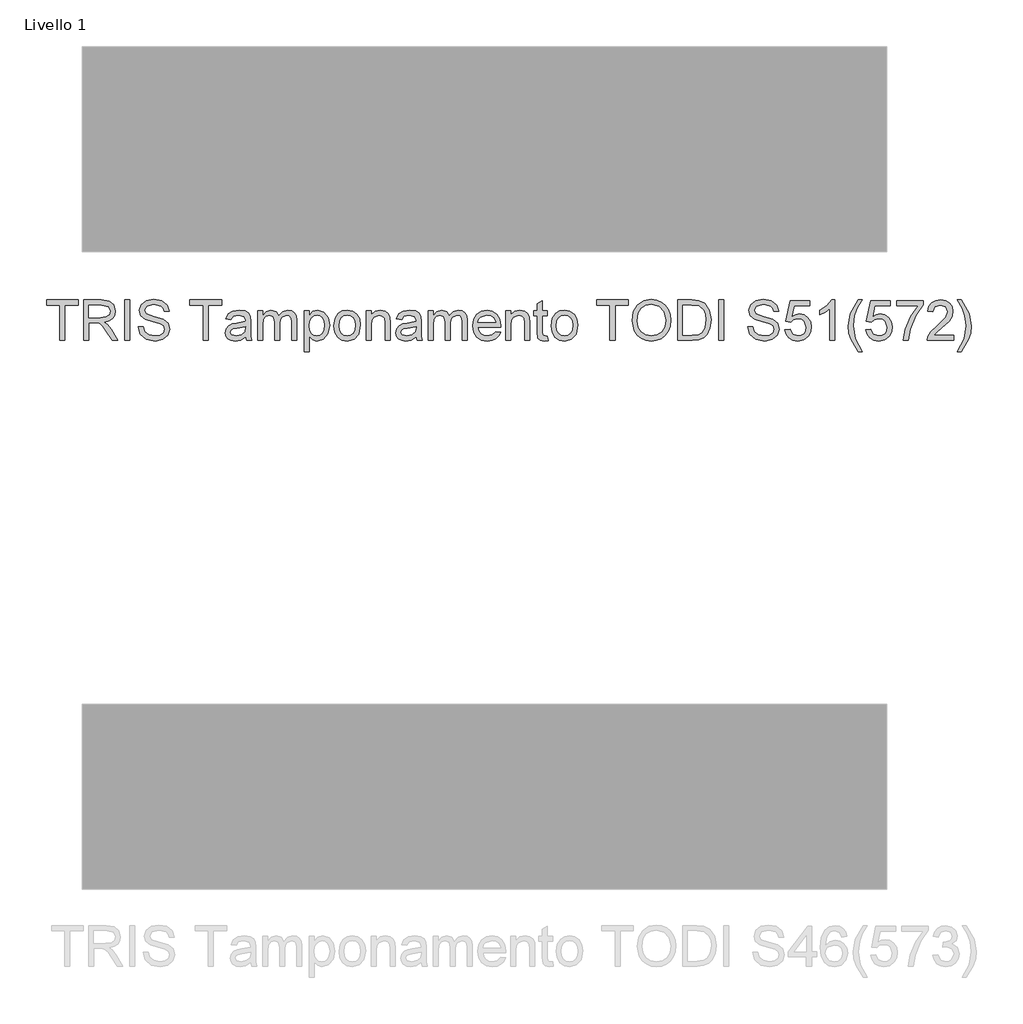
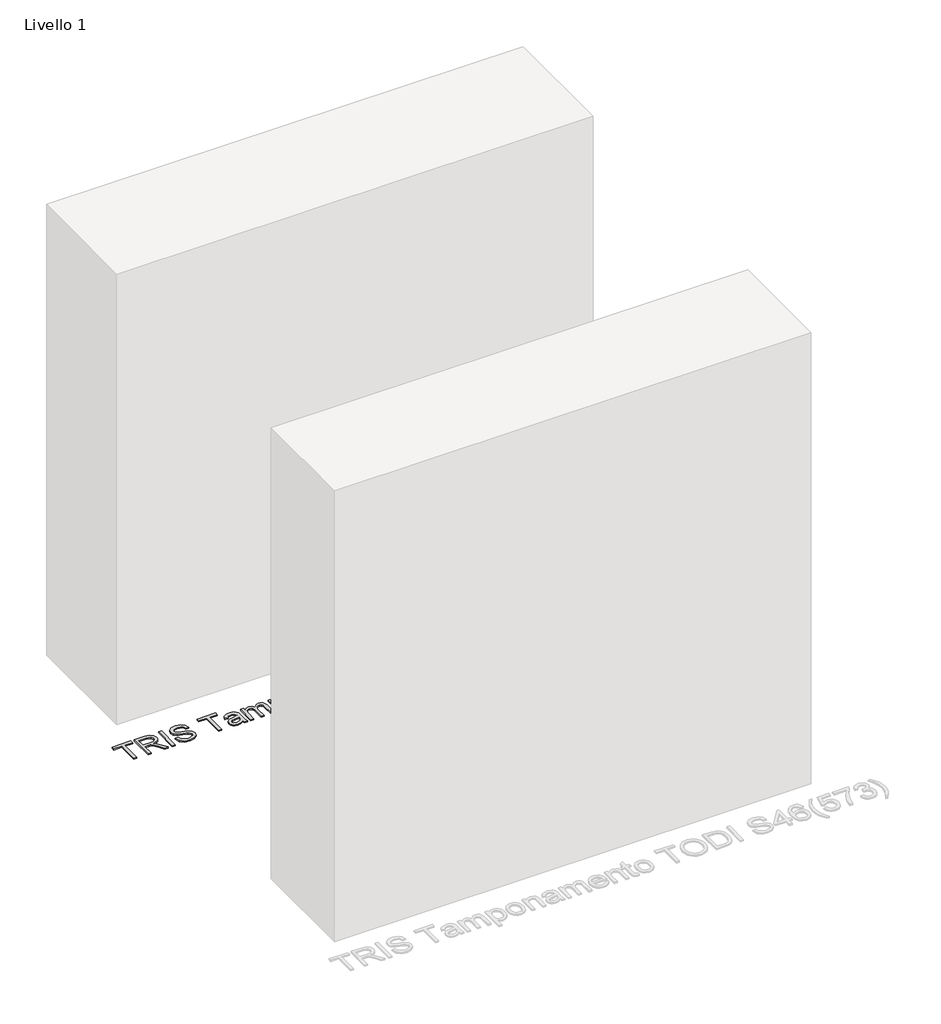
# One storey, part 18 of 18: 1 proxy.
"""IFC4 building model written with IfcOpenShell, lengths in millimetres."""

from ifc_helpers import new_model, si_unit, origin, origin_with_axes, place, context, project, spatial, polyline, outline, extrude, element, save

model = new_model("IFC4")

# Units and contexts
model_context = context("Model", 3, world=origin())
ifc_project = project(units=[si_unit("LENGTHUNIT", "METRE", prefix="MILLI")], contexts=[model_context])

# Site, building, storey
site = spatial("IfcSite", under=ifc_project)
building = spatial("IfcBuilding", under=site)
storey = spatial("IfcBuildingStorey", under=building, Name="Livello 1", Elevation=0.0)

# Proxy
placement = place(None, origin())
element("IfcBuildingElementProxy", 1, Name="100", ObjectType="100", at=placement, inside=storey, context=model_context, shape_type="SweptSolid", body=[
    extrude(outline(polyline([(3324.8413767, 3124.9167582), (3324.8413767, 3212.8160295), (3291.8791499, 3212.8160295), (3291.8791499, 3225.3730683), (3370.3606422, 3225.3730683), (3370.3606422, 3212.8160295), (3337.3984154, 3212.8160295), (3337.3984154, 3124.9167582), (3324.8413767, 3124.9167582)])), origin_with_axes(), (0.0, 0.0, 1.0), 5.0),
    extrude(outline(polyline([(3384.4873108, 3124.9167582), (3384.4873108, 3225.3730683), (3427.7747589, 3225.3730683), (3447.8733786, 3222.6630043), (3458.8607875, 3213.0735469), (3462.9688031, 3197.8800205), (3461.2673489, 3187.9839949), (3456.1629862, 3179.7802264), (3447.5024309, 3173.7653558), (3435.1323988, 3170.4360237), (3442.2693095, 3165.0649466), (3452.4473781, 3152.1400258), (3469.1982716, 3124.9167582), (3454.6056191, 3124.9167582), (3441.5335455, 3145.7388791), (3432.091241, 3159.5221912), (3425.4571024, 3166.0337025), (3419.4851513, 3168.4249355), (3412.2010878, 3168.8663939), (3397.0443496, 3168.8663939), (3397.0443496, 3124.9167582), (3384.4873108, 3124.9167582)]), holes=[polyline([(3397.0443496, 3181.4234326), (3425.150534, 3181.4234326), (3439.4856691, 3183.2015289), (3447.6281239, 3188.8914371), (3450.4117644, 3197.4140367), (3445.1020009, 3208.475022), (3428.3143192, 3212.8160295), (3397.0443496, 3212.8160295), (3397.0443496, 3181.4234326)])]), origin_with_axes(), (0.0, 0.0, 1.0), 5.0),
    extrude(outline(polyline([(3486.5132508, 3124.9167582), (3486.5132508, 3225.3730683), (3499.0702896, 3225.3730683), (3499.0702896, 3124.9167582), (3486.5132508, 3124.9167582)])), origin_with_axes(), (0.0, 0.0, 1.0), 5.0),
    extrude(outline(polyline([(3519.4754776, 3159.4486148), (3532.0325164, 3159.4486148), (3536.0792183, 3146.8793133), (3545.9629812, 3138.9330622), (3561.0216176, 3135.9041671), (3574.1427421, 3138.1972982), (3582.6162907, 3144.500343), (3585.3999311, 3152.9248407), (3583.3152665, 3160.7607272), (3574.7804042, 3166.4628982), (3556.496669, 3171.2576268), (3536.8149823, 3177.4503071), (3526.1341417, 3186.7945098), (3522.6147373, 3199.2779721), (3526.9680076, 3213.4904799), (3539.6844619, 3223.5213956), (3558.2992908, 3226.9426982), (3578.1649186, 3223.3619801), (3591.4086704, 3212.840555), (3596.38734, 3197.1197311), (3583.8303013, 3197.1197311), (3581.5249074, 3204.6122611), (3576.717916, 3210.0201264), (3558.7898001, 3214.3856594), (3540.8126333, 3210.0691773), (3535.171776, 3199.6458541), (3539.1694271, 3190.9393136), (3559.6727169, 3183.9250302), (3581.8927894, 3177.6219853), (3594.045158, 3167.4439168), (3597.9569699, 3153.2436718), (3593.4565468, 3138.2218237), (3580.5071006, 3127.2589402), (3561.5121269, 3123.3471283), (3539.0835879, 3127.5655085), (3524.8956056, 3140.2697001), (3519.4754776, 3159.4486148)])), origin_with_axes(), (0.0, 0.0, 1.0), 5.0),
    extrude(outline(polyline([(3681.1473517, 3124.9167582), (3681.1473517, 3212.8160295), (3648.185125, 3212.8160295), (3648.185125, 3225.3730683), (3726.6666173, 3225.3730683), (3726.6666173, 3212.8160295), (3693.7043905, 3212.8160295), (3693.7043905, 3124.9167582), (3681.1473517, 3124.9167582)])), origin_with_axes(), (0.0, 0.0, 1.0), 5.0),
    extrude(outline(polyline([(3786.3125514, 3134.3345372), (3774.1356574, 3125.8242004), (3760.6834391, 3123.3471283), (3750.1896052, 3124.8370504), (3742.4487549, 3129.3068166), (3737.675486, 3136.0942395), (3736.0843963, 3144.5371312), (3738.487892, 3154.4699451), (3744.8031996, 3161.6804322), (3753.5955793, 3165.8007106), (3764.4603609, 3167.6891715), (3786.238975, 3172.0056535), (3786.3125514, 3174.8015567), (3782.8544607, 3184.072183), (3768.9730467, 3187.701952), (3756.2688551, 3185.2861936), (3750.211065, 3176.7145431), (3737.6540262, 3178.2841729), (3743.086417, 3190.5469061), (3754.024775, 3197.7328677), (3770.5917275, 3200.2589908), (3785.8097794, 3198.0271733), (3794.4059553, 3192.4231043), (3798.2564535, 3183.9005047), (3798.8695902, 3172.9130958), (3798.8695902, 3157.2903737), (3799.5072523, 3135.4749714), (3802.0088499, 3124.9167582), (3789.4518111, 3124.9167582), (3786.3125514, 3134.3345372)]), holes=[polyline([(3786.3125514, 3159.4486148), (3766.0545162, 3155.5981166), (3755.2510483, 3153.5625029), (3750.3582178, 3150.2515649), (3748.6414351, 3145.420048), (3752.3815687, 3138.6264939), (3763.3567149, 3135.9041671), (3776.0609065, 3138.9085367), (3784.2524122, 3146.1803375), (3786.238975, 3155.8924222), (3786.3125514, 3159.4486148)])]), origin_with_axes(), (0.0, 0.0, 1.0), 5.0),
    extrude(outline(polyline([(3816.1355185, 3124.9167582), (3816.1355185, 3198.6893609), (3828.6925573, 3198.6893609), (3828.6925573, 3186.5492551), (3837.3255214, 3196.4943317), (3849.6127801, 3200.2589908), (3862.1943443, 3196.4207553), (3869.1105258, 3185.6663383), (3878.9084496, 3196.6108277), (3891.2815474, 3200.2589908), (3900.7207862, 3198.7414775), (3907.7013471, 3194.1889379), (3912.0147635, 3186.4787444), (3913.452569, 3175.4882698), (3913.452569, 3124.9167582), (3900.8955302, 3124.9167582), (3900.8955302, 3170.0926672), (3899.7305705, 3180.577304), (3895.5121903, 3185.7399147), (3888.3384914, 3187.701952), (3875.9899191, 3182.6742314), (3872.3019021, 3176.1320633), (3871.0725631, 3166.561), (3871.0725631, 3124.9167582), (3858.5155243, 3124.9167582), (3858.5155243, 3171.4906188), (3855.6092566, 3183.6552501), (3846.0811129, 3187.701952), (3836.7859612, 3185.0041507), (3830.6055436, 3177.1069505), (3828.6925573, 3162.1218906), (3828.6925573, 3124.9167582), (3816.1355185, 3124.9167582)])), origin_with_axes(), (0.0, 0.0, 1.0), 5.0),
    extrude(outline(polyline([(3932.2881271, 3096.6634209), (3932.2881271, 3198.6893609), (3944.8451659, 3198.6893609), (3944.8451659, 3186.3775768), (3953.527181, 3196.7886373), (3965.2503539, 3200.2589908), (3981.1673815, 3195.4029484), (3991.5661793, 3181.7177382), (3995.073321, 3162.3671453), (3991.1124581, 3142.0232709), (3979.6100144, 3128.1663825), (3963.729775, 3123.3471283), (3952.8036797, 3126.5722271), (3944.8451659, 3134.7269447), (3944.8451659, 3096.6634209), (3932.2881271, 3096.6634209)]), holes=[polyline([(3944.8451659, 3161.2144484), (3946.2032636, 3149.9572593), (3950.2775567, 3142.0845846), (3956.2893616, 3137.4492715), (3963.4599948, 3135.9041671), (3970.747124, 3137.5044538), (3976.9122131, 3142.3053138), (3981.1152649, 3150.4661627), (3982.5162822, 3162.1464161), (3981.1489874, 3173.3422915), (3977.0471032, 3181.3253308), (3971.0444953, 3186.1077967), (3963.9750296, 3187.701952), (3956.8779728, 3186.0066291), (3950.6454387, 3180.9206606), (3946.2952341, 3172.6034618), (3944.8451659, 3161.2144484)])]), origin_with_axes(), (0.0, 0.0, 1.0), 5.0),
    extrude(outline(polyline([(4006.0607299, 3161.8030596), (4008.7769253, 3179.590154), (4016.9255115, 3192.0920105), (4026.9932154, 3198.2172457), (4039.0474821, 3200.2589908), (4052.2391173, 3197.7727216), (4062.7758708, 3190.3139142), (4069.6828553, 3178.4711796), (4071.9851834, 3162.8331291), (4067.913956, 3140.4904293), (4056.055893, 3127.8475514), (4039.0474821, 3123.3471283), (4025.6964314, 3125.8242004), (4015.1719406, 3133.2554167), (4008.3385326, 3145.3464716), (4006.0607299, 3161.8030596)]), holes=[polyline([(4018.6177686, 3161.827585), (4020.0709025, 3150.463097), (4024.4303042, 3142.3666275), (4030.9908664, 3137.5197822), (4039.0474821, 3135.9041671), (4047.0673096, 3137.5289792), (4053.6156091, 3142.4034157), (4057.9750108, 3150.6071842), (4059.4281446, 3162.2199925), (4057.9658137, 3173.2533866), (4053.5788209, 3181.2394916), (4047.0213244, 3186.0863369), (4039.0474821, 3187.701952), (4030.9908664, 3186.0924683), (4024.4303042, 3181.2640171), (4020.0709025, 3173.1859416), (4018.6177686, 3161.827585)])]), origin_with_axes(), (0.0, 0.0, 1.0), 5.0),
    extrude(outline(polyline([(4086.111852, 3124.9167582), (4086.111852, 3198.6893609), (4098.6688908, 3198.6893609), (4098.6688908, 3188.3886651), (4108.2706109, 3197.2914094), (4121.3794726, 3200.2589908), (4133.2375356, 3197.8677578), (4141.3309395, 3191.5892384), (4145.0955986, 3182.3554003), (4145.7577862, 3170.2152945), (4145.7577862, 3124.9167582), (4133.2007474, 3124.9167582), (4133.2007474, 3168.5230373), (4131.7537449, 3179.6330736), (4126.6401852, 3185.5069228), (4118.0194837, 3187.701952), (4104.3955872, 3182.7723333), (4100.1005649, 3175.6292912), (4098.6688908, 3164.0594025), (4098.6688908, 3124.9167582), (4086.111852, 3124.9167582)])), origin_with_axes(), (0.0, 0.0, 1.0), 5.0),
    extrude(outline(polyline([(4210.1126099, 3134.3345372), (4197.9357158, 3125.8242004), (4184.4834975, 3123.3471283), (4173.9896636, 3124.8370504), (4166.2488133, 3129.3068166), (4161.4755444, 3136.0942395), (4159.8844548, 3144.5371312), (4162.2879505, 3154.4699451), (4168.6032581, 3161.6804322), (4177.3956378, 3165.8007106), (4188.2604194, 3167.6891715), (4210.0390335, 3172.0056535), (4210.1126099, 3174.8015567), (4206.6545191, 3184.072183), (4192.7731052, 3187.701952), (4180.0689136, 3185.2861936), (4174.0111234, 3176.7145431), (4161.4540846, 3178.2841729), (4166.8864754, 3190.5469061), (4177.8248334, 3197.7328677), (4194.3917859, 3200.2589908), (4209.6098378, 3198.0271733), (4218.2060138, 3192.4231043), (4222.056512, 3183.9005047), (4222.6696486, 3172.9130958), (4222.6696486, 3157.2903737), (4223.3073108, 3135.4749714), (4225.8089083, 3124.9167582), (4213.2518696, 3124.9167582), (4210.1126099, 3134.3345372)]), holes=[polyline([(4210.1126099, 3159.4486148), (4189.8545747, 3155.5981166), (4179.0511067, 3153.5625029), (4174.1582762, 3150.2515649), (4172.4414936, 3145.420048), (4176.1816272, 3138.6264939), (4187.1567734, 3135.9041671), (4199.8609649, 3138.9085367), (4208.0524707, 3146.1803375), (4210.0390335, 3155.8924222), (4210.1126099, 3159.4486148)])]), origin_with_axes(), (0.0, 0.0, 1.0), 5.0),
    extrude(outline(polyline([(4239.9355769, 3124.9167582), (4239.9355769, 3198.6893609), (4252.4926157, 3198.6893609), (4252.4926157, 3186.5492551), (4261.1255799, 3196.4943317), (4273.4128385, 3200.2589908), (4285.9944027, 3196.4207553), (4292.9105842, 3185.6663383), (4302.7085081, 3196.6108277), (4315.0816058, 3200.2589908), (4324.5208447, 3198.7414775), (4331.5014055, 3194.1889379), (4335.8148219, 3186.4787444), (4337.2526274, 3175.4882698), (4337.2526274, 3124.9167582), (4324.6955886, 3124.9167582), (4324.6955886, 3170.0926672), (4323.530629, 3180.577304), (4319.3122488, 3185.7399147), (4312.1385499, 3187.701952), (4299.7899776, 3182.6742314), (4296.1019606, 3176.1320633), (4294.8726216, 3166.561), (4294.8726216, 3124.9167582), (4282.3155828, 3124.9167582), (4282.3155828, 3171.4906188), (4279.409315, 3183.6552501), (4269.8811713, 3187.701952), (4260.5860196, 3185.0041507), (4254.4056021, 3177.1069505), (4252.4926157, 3162.1218906), (4252.4926157, 3124.9167582), (4239.9355769, 3124.9167582)])), origin_with_axes(), (0.0, 0.0, 1.0), 5.0),
    extrude(outline(polyline([(4407.7388177, 3146.891576), (4420.0506018, 3145.3219462), (4415.6145581, 3136.0451885), (4408.5358953, 3129.1106129), (4398.9740291, 3124.7879995), (4387.088375, 3123.3471283), (4372.3547011, 3125.8333975), (4361.0178043, 3133.2922049), (4353.7889231, 3145.2391727), (4351.379296, 3161.1899229), (4353.8134485, 3177.6771676), (4361.1159062, 3190.0073458), (4372.2995188, 3197.6960795), (4386.3771365, 3200.2589908), (4400.0163615, 3197.7022109), (4410.9148656, 3190.0318713), (4418.0609733, 3177.7262186), (4420.4430092, 3161.2634993), (4420.3694328, 3157.8789849), (4363.9363348, 3157.8789849), (4366.1099042, 3148.4796), (4371.1590846, 3141.5695498), (4378.4462138, 3137.3205128), (4387.3336297, 3135.9041671), (4399.6454138, 3138.528392), (4407.7388177, 3146.891576)]), holes=[polyline([(4363.9363348, 3170.4360237), (4407.8859705, 3170.4360237), (4402.8582499, 3181.8158401), (4395.5373982, 3186.230424), (4386.3280856, 3187.701952), (4370.864779, 3183.0053252), (4365.9995396, 3177.5146864), (4363.9363348, 3170.4360237)])]), origin_with_axes(), (0.0, 0.0, 1.0), 5.0),
    extrude(outline(polyline([(4433.000048, 3124.9167582), (4433.000048, 3198.6893609), (4445.5570868, 3198.6893609), (4445.5570868, 3188.3886651), (4455.1588069, 3197.2914094), (4468.2676686, 3200.2589908), (4480.1257316, 3197.8677578), (4488.2191355, 3191.5892384), (4491.9837946, 3182.3554003), (4492.6459822, 3170.2152945), (4492.6459822, 3124.9167582), (4480.0889434, 3124.9167582), (4480.0889434, 3168.5230373), (4478.6419409, 3179.6330736), (4473.5283811, 3185.5069228), (4464.9076797, 3187.701952), (4451.2837832, 3182.7723333), (4446.9887609, 3175.6292912), (4445.5570868, 3164.0594025), (4445.5570868, 3124.9167582), (4433.000048, 3124.9167582)])), origin_with_axes(), (0.0, 0.0, 1.0), 5.0),
    extrude(outline(polyline([(4536.5956179, 3135.3891323), (4538.1652477, 3124.5488762), (4528.7719941, 3123.3471283), (4518.250569, 3125.431793), (4513.0021192, 3130.900972), (4511.4815403, 3145.1502679), (4511.4815403, 3186.1323222), (4502.0637612, 3186.1323222), (4502.0637612, 3198.6893609), (4511.4815403, 3198.6893609), (4511.4815403, 3216.6174768), (4524.0385791, 3223.9996422), (4524.0385791, 3198.6893609), (4536.5956179, 3198.6893609), (4536.5956179, 3186.1323222), (4524.0385791, 3186.1323222), (4524.0385791, 3145.5181499), (4524.7007667, 3139.0434268), (4526.846745, 3136.7502957), (4531.1264389, 3135.9041671), (4536.5956179, 3135.3891323)])), origin_with_axes(), (0.0, 0.0, 1.0), 5.0),
    extrude(outline(polyline([(4546.0133969, 3161.8030596), (4548.7295923, 3179.590154), (4556.8781785, 3192.0920105), (4566.9458825, 3198.2172457), (4579.0001492, 3200.2589908), (4592.1917844, 3197.7727216), (4602.7285379, 3190.3139142), (4609.6355223, 3178.4711796), (4611.9378505, 3162.8331291), (4607.8666231, 3140.4904293), (4596.0085601, 3127.8475514), (4579.0001492, 3123.3471283), (4565.6490984, 3125.8242004), (4555.1246077, 3133.2554167), (4548.2911996, 3145.3464716), (4546.0133969, 3161.8030596)]), holes=[polyline([(4558.5704357, 3161.827585), (4560.0235696, 3150.463097), (4564.3829712, 3142.3666275), (4570.9435335, 3137.5197822), (4579.0001492, 3135.9041671), (4587.0199767, 3137.5289792), (4593.5682762, 3142.4034157), (4597.9276778, 3150.6071842), (4599.3808117, 3162.2199925), (4597.9184808, 3173.2533866), (4593.531488, 3181.2394916), (4586.9739914, 3186.0863369), (4579.0001492, 3187.701952), (4570.9435335, 3186.0924683), (4564.3829712, 3181.2640171), (4560.0235696, 3173.1859416), (4558.5704357, 3161.827585)])]), origin_with_axes(), (0.0, 0.0, 1.0), 5.0),
    extrude(outline(polyline([(4691.9889726, 3124.9167582), (4691.9889726, 3212.8160295), (4659.0267458, 3212.8160295), (4659.0267458, 3225.3730683), (4737.5082382, 3225.3730683), (4737.5082382, 3212.8160295), (4704.5460114, 3212.8160295), (4704.5460114, 3124.9167582), (4691.9889726, 3124.9167582)])), origin_with_axes(), (0.0, 0.0, 1.0), 5.0),
    extrude(outline(polyline([(4746.9260172, 3173.8205381), (4750.2737434, 3196.0344792), (4760.3169219, 3212.840555), (4775.6514697, 3223.4171624), (4794.8733039, 3226.9426982), (4808.0496107, 3225.2872292), (4819.8647541, 3220.3208222), (4829.6749407, 3212.3929653), (4836.8363768, 3201.8531461), (4841.2141726, 3189.2102682), (4842.6734378, 3174.973235), (4841.1375305, 3160.5461294), (4836.5298085, 3147.7254419), (4829.1047236, 3137.1672286), (4819.1167274, 3129.5275458), (4807.4027516, 3124.8922327), (4794.7997275, 3123.3471283), (4781.4210856, 3125.0547139), (4769.5384972, 3130.1774707), (4759.7528361, 3138.2524805), (4752.6649764, 3148.8168251), (4746.9260172, 3173.8205381)]), holes=[polyline([(4759.483056, 3173.6979107), (4761.9938506, 3157.9832182), (4769.5262345, 3146.0086592), (4780.8478029, 3138.4302901), (4794.7261511, 3135.9041671), (4808.8068345, 3138.4548156), (4820.146797, 3146.1067611), (4827.6239986, 3158.449202), (4830.1163991, 3175.0713368), (4825.8489679, 3195.7953559), (4813.3777683, 3209.5173543), (4794.9468803, 3214.3856594), (4781.4394797, 3212.0404117), (4769.9554301, 3205.0046685), (4762.1011495, 3192.4874836), (4759.483056, 3173.6979107)])]), origin_with_axes(), (0.0, 0.0, 1.0), 5.0),
    extrude(outline(polyline([(4859.9393661, 3124.9167582), (4859.9393661, 3225.3730683), (4894.5938501, 3225.3730683), (4912.521966, 3223.9260658), (4927.2862967, 3216.7401042), (4939.1811479, 3199.5722777), (4943.129748, 3175.6844735), (4940.4564722, 3155.4141756), (4933.5893416, 3140.7847349), (4924.4168172, 3131.6735241), (4912.4116014, 3126.6335408), (4896.2615818, 3124.9167582), (4859.9393661, 3124.9167582)]), holes=[polyline([(4872.4964049, 3137.4737969), (4894.7164774, 3137.4737969), (4910.8787597, 3139.2886814), (4920.198437, 3144.4145039), (4927.8381197, 3156.8857035), (4930.5727092, 3175.8806772), (4929.2330056, 3189.5658875), (4925.2138948, 3199.6703796), (4912.1786095, 3210.8049413), (4894.3731209, 3212.8160295), (4872.4964049, 3212.8160295), (4872.4964049, 3137.4737969)])]), origin_with_axes(), (0.0, 0.0, 1.0), 5.0),
    extrude(outline(polyline([(4961.9653061, 3124.9167582), (4961.9653061, 3225.3730683), (4974.5223449, 3225.3730683), (4974.5223449, 3124.9167582), (4961.9653061, 3124.9167582)])), origin_with_axes(), (0.0, 0.0, 1.0), 5.0),
    extrude(outline(polyline([(5034.1682791, 3159.4486148), (5046.7253178, 3159.4486148), (5050.7720198, 3146.8793133), (5060.6557827, 3138.9330622), (5075.7144191, 3135.9041671), (5088.8355435, 3138.1972982), (5097.3090922, 3144.500343), (5100.0927326, 3152.9248407), (5098.008068, 3160.7607272), (5089.4732057, 3166.4628982), (5071.1894705, 3171.2576268), (5051.5077838, 3177.4503071), (5040.8269432, 3186.7945098), (5037.3075388, 3199.2779721), (5041.660809, 3213.4904799), (5054.3772633, 3223.5213956), (5072.9920923, 3226.9426982), (5092.85772, 3223.3619801), (5106.1014719, 3212.840555), (5111.0801415, 3197.1197311), (5098.5231028, 3197.1197311), (5096.2177089, 3204.6122611), (5091.4107175, 3210.0201264), (5073.4826016, 3214.3856594), (5055.5054348, 3210.0691773), (5049.8645775, 3199.6458541), (5053.8622285, 3190.9393136), (5074.3655184, 3183.9250302), (5096.5855909, 3177.6219853), (5108.7379595, 3167.4439168), (5112.6497714, 3153.2436718), (5108.1493483, 3138.2218237), (5095.1999021, 3127.2589402), (5076.2049284, 3123.3471283), (5053.7763894, 3127.5655085), (5039.5884071, 3140.2697001), (5034.1682791, 3159.4486148)])), origin_with_axes(), (0.0, 0.0, 1.0), 5.0),
    extrude(outline(polyline([(5126.77644, 3151.6004656), (5139.3334787, 3153.1700954), (5145.6610491, 3140.2329119), (5158.7821736, 3135.9041671), (5167.7830197, 3137.4094176), (5174.527523, 3141.9251691), (5178.7397718, 3148.9302554), (5180.1438547, 3157.9035104), (5174.8831422, 3172.8149939), (5168.2765947, 3176.9168782), (5158.9783773, 3178.2841729), (5147.9541802, 3176.1014064), (5140.9031086, 3170.4360237), (5128.3460698, 3172.0056535), (5139.3334787, 3223.8034385), (5187.992004, 3223.8034385), (5187.992004, 3211.2463997), (5149.4870218, 3211.2463997), (5144.1159447, 3183.5816737), (5153.086134, 3189.0263272), (5162.485519, 3190.8412117), (5174.2178889, 3188.5910002), (5183.9575648, 3181.8403656), (5190.5150613, 3171.5519324), (5192.7008935, 3158.6883253), (5190.7327248, 3146.1312866), (5184.8282188, 3135.3891323), (5173.5219788, 3126.3576293), (5158.7331226, 3123.3471283), (5146.3998787, 3125.2815745), (5136.5743638, 3131.084913), (5129.8390576, 3140.0826934), (5126.77644, 3151.6004656)])), origin_with_axes(), (0.0, 0.0, 1.0), 5.0),
    extrude(outline(polyline([(5250.7771978, 3124.9167582), (5238.2201591, 3124.9167582), (5238.2201591, 3203.2020467), (5226.3253079, 3194.7284981), (5213.1060815, 3188.3886651), (5213.1060815, 3200.2589908), (5231.512444, 3212.0066892), (5242.6837939, 3225.3730683), (5250.7771978, 3225.3730683), (5250.7771978, 3124.9167582)])), origin_with_axes(), (0.0, 0.0, 1.0), 5.0),
    extrude(outline(polyline([(5308.8535021, 3096.6634209), (5291.0234881, 3126.118506), (5285.5604405, 3143.2985952), (5283.7394246, 3161.091821), (5289.1840781, 3191.6260266), (5308.8535021, 3225.3730683), (5318.2712812, 3225.3730683), (5306.5235828, 3205.4829151), (5299.4602485, 3186.2058986), (5296.2964634, 3161.0182446), (5301.7901678, 3128.82857), (5318.2712812, 3096.6634209), (5308.8535021, 3096.6634209)])), origin_with_axes(), (0.0, 0.0, 1.0), 5.0),
    extrude(outline(polyline([(5327.6890603, 3151.6004656), (5340.246099, 3153.1700954), (5346.5736694, 3140.2329119), (5359.6947939, 3135.9041671), (5368.69564, 3137.4094176), (5375.4401433, 3141.9251691), (5379.6523921, 3148.9302554), (5381.056475, 3157.9035104), (5375.7957625, 3172.8149939), (5369.189215, 3176.9168782), (5359.8909976, 3178.2841729), (5348.8668005, 3176.1014064), (5341.8157289, 3170.4360237), (5329.2586901, 3172.0056535), (5340.246099, 3223.8034385), (5388.9046243, 3223.8034385), (5388.9046243, 3211.2463997), (5350.3996421, 3211.2463997), (5345.028565, 3183.5816737), (5353.9987543, 3189.0263272), (5363.3981393, 3190.8412117), (5375.1305092, 3188.5910002), (5384.8701851, 3181.8403656), (5391.4276816, 3171.5519324), (5393.6135138, 3158.6883253), (5391.6453451, 3146.1312866), (5385.7408391, 3135.3891323), (5374.4345991, 3126.3576293), (5359.6457429, 3123.3471283), (5347.312499, 3125.2815745), (5337.4869841, 3131.084913), (5330.7516779, 3140.0826934), (5327.6890603, 3151.6004656)])), origin_with_axes(), (0.0, 0.0, 1.0), 5.0),
    extrude(outline(polyline([(5404.6009227, 3211.2463997), (5404.6009227, 3223.8034385), (5470.5253763, 3223.8034385), (5470.5253763, 3213.6498954), (5451.8247082, 3186.6350942), (5437.5140986, 3152.2136022), (5432.85426, 3124.9167582), (5420.2972212, 3124.9167582), (5425.2881536, 3153.2436718), (5438.9856266, 3185.2616681), (5457.9683375, 3211.2463997), (5404.6009227, 3211.2463997)])), origin_with_axes(), (0.0, 0.0, 1.0), 5.0),
    extrude(outline(polyline([(5545.8676089, 3137.4737969), (5545.8676089, 3124.9167582), (5479.9431554, 3124.9167582), (5481.292056, 3133.5742478), (5488.919476, 3146.9038387), (5504.6403, 3161.459703), (5526.3208122, 3182.3799258), (5531.7409403, 3196.6046963), (5526.6273805, 3208.1194027), (5513.2732641, 3212.8160295), (5499.355062, 3208.2297673), (5494.069824, 3195.5501012), (5481.5127852, 3197.1197311), (5484.5570087, 3209.2659683), (5491.1390307, 3218.1380557), (5500.9154948, 3223.5643152), (5513.5430442, 3225.3730683), (5526.2625642, 3223.3619801), (5536.0206341, 3217.3287154), (5542.2286428, 3208.3156065), (5544.297979, 3197.3649858), (5542.0661616, 3185.4578718), (5534.647208, 3173.1460877), (5516.6577785, 3155.9414731), (5502.2122788, 3143.8626809), (5496.5468961, 3137.4737969), (5545.8676089, 3137.4737969)])), origin_with_axes(), (0.0, 0.0, 1.0), 5.0),
    extrude(outline(polyline([(5564.703167, 3096.6634209), (5555.285388, 3096.6634209), (5571.7665013, 3128.82857), (5577.2602058, 3161.0182446), (5574.0964206, 3185.9851694), (5567.1066627, 3205.2867114), (5555.285388, 3225.3730683), (5564.703167, 3225.3730683), (5584.372591, 3191.6260266), (5589.8172446, 3161.091821), (5587.9870317, 3143.2985952), (5582.4963929, 3126.118506), (5564.703167, 3096.6634209)])), origin_with_axes(), (0.0, 0.0, 1.0), 5.0),
])

save(model, "model.ifc")
